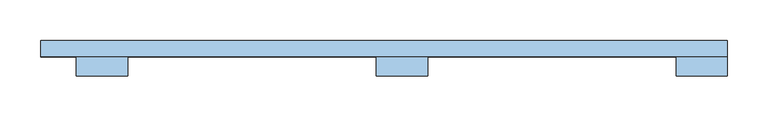
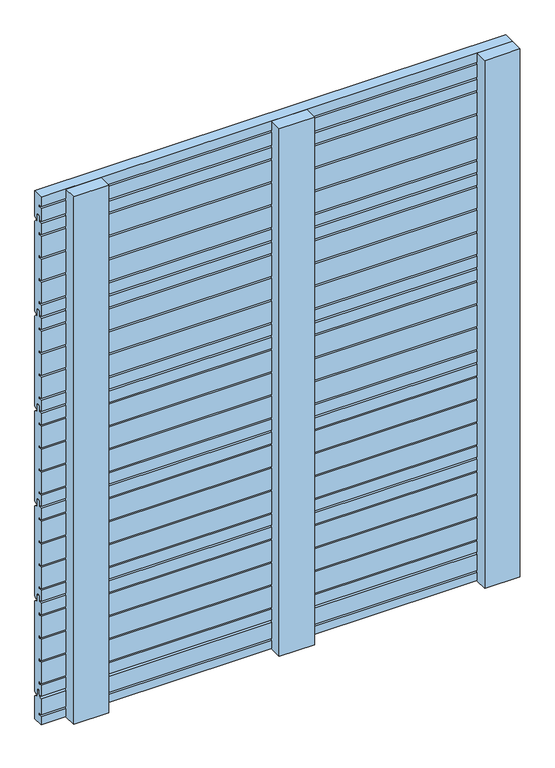
"""IFC4 building model written with IfcOpenShell, lengths in millimetres: window geometry."""

import ifcopenshell
import ifcopenshell.guid

model = None  # the IFC model being written
_history = None  # IfcOwnerHistory: only IFC2X3 demands one
_inside = {}  # id of a spatial element -> (the spatial element, [elements in it])
_under = {}  # id of a project, library or spatial element -> (it, [spatial elements below it])
_declared = {}  # id of a project -> (the project, [libraries it declares])
_typed = {}  # id of a type object -> (the type object, [elements of that type])
_made_of = {}  # id of a material, layer set ... -> (it, [elements and type objects made of it])


def new_model(schema):
    """Start an empty IFC model of exactly this schema.

    Asked for "IFC4X3", IfcOpenShell would pick the latest addendum, in which some entities
    have other attributes; the version numbers below select the first issue.
    IFC2X3 requires an IfcOwnerHistory on every rooted entity: one is made here for all.
    """
    global model, _history
    if schema == "IFC4X3":
        model = ifcopenshell.file(schema_version=(4, 3, 0, 0))
    else:
        model = ifcopenshell.file(schema=schema)
    _inside.clear()
    _under.clear()
    _declared.clear()
    _typed.clear()
    _made_of.clear()
    _history = None
    if model.schema == "IFC2X3":
        org = make("IfcOrganization", Name="unknown")
        user = make(
            "IfcPersonAndOrganization",
            ThePerson=make("IfcPerson", FamilyName="unknown"),
            TheOrganization=org,
        )
        app = make(
            "IfcApplication",
            ApplicationDeveloper=org,
            Version="unknown",
            ApplicationFullName="unknown",
            ApplicationIdentifier="unknown",
        )
        _history = make(
            "IfcOwnerHistory",
            OwningUser=user,
            OwningApplication=app,
            ChangeAction="ADDED",
            CreationDate=0,
        )
    return model


def make(cls, **values):
    """One entity of the class cls with the attributes given. An attribute that is None is left unset."""
    return model.create_entity(
        cls, **{name: value for name, value in values.items() if value is not None}
    )


def rooted(cls, **values):
    """An entity with a GlobalId (a new one), such as an element, a storey or a relation."""
    return make(cls, GlobalId=ifcopenshell.guid.new(), OwnerHistory=_history, **values)


def si_unit(unit_type, name, prefix=None):
    """IfcSIUnit, for example si_unit("LENGTHUNIT", "METRE", prefix="MILLI")."""
    return make("IfcSIUnit", UnitType=unit_type, Prefix=prefix, Name=name)


def assignment(units):
    """IfcUnitAssignment: the units of a project."""
    return None if units is None else make("IfcUnitAssignment", Units=units)


def point(xyz):
    """IfcCartesianPoint."""
    return None if xyz is None else make("IfcCartesianPoint", Coordinates=xyz)


def direction(xyz):
    """IfcDirection."""
    return None if xyz is None else make("IfcDirection", DirectionRatios=xyz)


def frame(location, z_axis=None, x_axis=None):
    """IfcAxis2Placement3D, a coordinate frame: its origin and axes. An axis left out is left unset."""
    return make(
        "IfcAxis2Placement3D",
        Location=point(location),
        Axis=direction(z_axis),
        RefDirection=direction(x_axis),
    )


def origin():
    """The frame at (0, 0, 0) with its axes left unset."""
    return frame((0.0, 0.0, 0.0))


def place(relative_to, where):
    """IfcLocalPlacement: puts the frame where relative to a parent placement (None: the world)."""
    return make(
        "IfcLocalPlacement", PlacementRelTo=relative_to, RelativePlacement=where
    )


def context(
    kind, dimensions, precision=None, world=None, true_north=None, identifier=None
):
    """IfcGeometricRepresentationContext, for example the 3D "Model" context."""
    return make(
        "IfcGeometricRepresentationContext",
        ContextIdentifier=identifier,
        ContextType=kind,
        CoordinateSpaceDimension=dimensions,
        Precision=precision,
        WorldCoordinateSystem=world,
        TrueNorth=true_north,
    )


def project(units=None, contexts=None):
    """IfcProject with its units and contexts."""
    return rooted(
        "IfcProject",
        Name="project",
        RepresentationContexts=contexts,
        UnitsInContext=assignment(units),
    )


def spatial(cls, under=None, at=None, **own):
    """A site, building, storey or space (cls), placed at a placement, below another one or the project."""
    s = rooted(cls, ObjectPlacement=at, **own)
    if under is not None:
        _under.setdefault(under.id(), (under, []))[1].append(s)
    return s


def polyline(points):
    """IfcPolyline through the points."""
    return make("IfcPolyline", Points=[point(p) for p in points])


def outline(outer, holes=None, kind="AREA"):
    """IfcArbitraryClosedProfileDef: a profile drawn as a closed curve; with holes, ...WithVoids."""
    if holes is None:
        return make("IfcArbitraryClosedProfileDef", ProfileType=kind, OuterCurve=outer)
    return make(
        "IfcArbitraryProfileDefWithVoids",
        ProfileType=kind,
        OuterCurve=outer,
        InnerCurves=holes,
    )


def extrude(swept, where, along, depth):
    """IfcExtrudedAreaSolid: the profile swept, set in the frame where, extruded along a direction by depth."""
    return make(
        "IfcExtrudedAreaSolid",
        SweptArea=swept,
        Position=where,
        ExtrudedDirection=direction(along),
        Depth=depth,
    )


def shape(context_of_items, identifier, shape_type, items):
    """IfcShapeRepresentation: the items that make up one representation, for example the "Body"."""
    return make(
        "IfcShapeRepresentation",
        ContextOfItems=context_of_items,
        RepresentationIdentifier=identifier,
        RepresentationType=shape_type,
        Items=items,
    )


def source(mapping_origin, context_of_items, identifier, shape_type, items):
    """IfcRepresentationMap: a shape defined once, which mapped items show again and again."""
    return make(
        "IfcRepresentationMap",
        MappingOrigin=mapping_origin,
        MappedRepresentation=shape(context_of_items, identifier, shape_type, items),
    )


def transform(
    local_origin,
    x_axis=None,
    y_axis=None,
    z_axis=None,
    scale=None,
    scale2=None,
    scale3=None,
    uniform=True,
):
    """IfcCartesianTransformationOperator3D, or its non-uniform kind. x_axis, y_axis, z_axis: its Axis1, 2, 3."""
    if uniform:
        return make(
            "IfcCartesianTransformationOperator3D",
            Axis1=direction(x_axis),
            Axis2=direction(y_axis),
            LocalOrigin=point(local_origin),
            Scale=scale,
            Axis3=direction(z_axis),
        )
    return make(
        "IfcCartesianTransformationOperator3DnonUniform",
        Axis1=direction(x_axis),
        Axis2=direction(y_axis),
        LocalOrigin=point(local_origin),
        Scale=scale,
        Axis3=direction(z_axis),
        Scale2=scale2,
        Scale3=scale3,
    )


def mapped(mapping_source, mapping_target):
    """IfcMappedItem: shows the shape of a source again, moved by a transform."""
    return make(
        "IfcMappedItem", MappingSource=mapping_source, MappingTarget=mapping_target
    )


def made_of(thing, what):
    """Note that an element or type object is made of a material, layer set ...; save() writes the relation."""
    if what is not None:
        _made_of.setdefault(what.id(), (what, []))[1].append(thing)
    return thing


def element(
    cls,
    number,
    at=None,
    inside=None,
    cuts=None,
    type_object=None,
    material=None,
    context=None,
    identifier="Body",
    shape_type=None,
    held_by="IfcProductDefinitionShape",
    body=None,
    shapes=None,
    **own,
):
    """One element of the class cls, such as IfcWall. Its Tag is "e" and its number.

    at: its placement. inside: the storey or other place that contains it. cuts: it is an
    opening in that element (IfcRelVoidsElement). A single representation is given by context,
    identifier, shape_type and body (its items); several are given by shapes. held_by: the class
    of the entity that holds the representations. save() writes the other relations.
    """
    e = rooted(cls, Tag="e%d" % number, ObjectPlacement=at, **own)
    if body is not None:
        shapes = [shape(context, identifier, shape_type, body)]
    if shapes is not None:
        e.Representation = make(held_by, Representations=shapes)
    if inside is not None:
        _inside.setdefault(inside.id(), (inside, []))[1].append(e)
    if cuts is not None:
        rooted(
            "IfcRelVoidsElement", RelatingBuildingElement=cuts, RelatedOpeningElement=e
        )
    if type_object is not None:
        _typed.setdefault(type_object.id(), (type_object, []))[1].append(e)
    return made_of(e, material)


def aggregate(whole, parts):
    """IfcRelAggregates: a whole, such as a stair, and the parts it consists of."""
    return rooted("IfcRelAggregates", RelatingObject=whole, RelatedObjects=parts)


def save(model, path):
    """Write the relations noted so far, then the file.

    IfcRelAggregates (storeys below a building ...), IfcRelContainedInSpatialStructure (elements
    in a storey), IfcRelDefinesByType, IfcRelAssociatesMaterial and IfcRelDeclares: one each for
    every whole, place, type object, material and project.
    """
    for whole, parts in _under.values():
        aggregate(whole, parts)
    for where, things in _inside.values():
        rooted(
            "IfcRelContainedInSpatialStructure",
            RelatedElements=things,
            RelatingStructure=where,
        )
    for kind, things in _typed.values():
        rooted("IfcRelDefinesByType", RelatedObjects=things, RelatingType=kind)
    for what, things in _made_of.values():
        rooted("IfcRelAssociatesMaterial", RelatedObjects=things, RelatingMaterial=what)
    for by, libraries in _declared.values():
        rooted("IfcRelDeclares", RelatingContext=by, RelatedDefinitions=libraries)
    model.write(path)


def window_8f5a0ee3(model_context):
    return source(origin(), model_context, "Body", "SweptSolid", [
        extrude(outline(polyline([(80.0, 153.0), (77.0, 150.0), (73.0, 150.0), (73.0, 162.0), (67.0, 162.0), (67.0, 154.0), (60.0, 154.0), (60.0, 174.6889298), (66.0, 174.6889298), (66.0, 178.1889298), (60.0, 178.1889298), (60.0, 218.25), (66.0, 218.25), (66.0, 221.75), (60.0, 221.75), (60.0, 261.8110702), (66.0, 261.8110702), (66.0, 265.3110702), (60.0, 265.3110702), (60.0, 305.3721403), (66.0, 305.3721403), (66.0, 308.8721403), (60.0, 308.8721403), (60.0, 330.0), (67.0, 330.0), (67.0, 340.0), (73.0, 340.0), (73.0, 326.0), (77.0, 326.0), (80.0, 323.0), (80.0, 153.0)])), frame((-444.0, 0.0, 0.0), z_axis=(1.0, 0.0, 0.0), x_axis=(0.0, 1.0, 0.0)), (0.0, 0.0, 1.0), 844.0),
        extrude(outline(polyline([(80.0, 333.0), (77.0, 330.0), (73.0, 330.0), (73.0, 342.0), (67.0, 342.0), (67.0, 334.0), (60.0, 334.0), (60.0, 354.6889298), (66.0, 354.6889298), (66.0, 358.1889298), (60.0, 358.1889298), (60.0, 398.25), (66.0, 398.25), (66.0, 401.75), (60.0, 401.75), (60.0, 441.8110702), (66.0, 441.8110702), (66.0, 445.3110702), (60.0, 445.3110702), (60.0, 485.3721403), (66.0, 485.3721403), (66.0, 488.8721403), (60.0, 488.8721403), (60.0, 510.0), (67.0, 510.0), (67.0, 520.0), (73.0, 520.0), (73.0, 506.0), (77.0, 506.0), (80.0, 503.0), (80.0, 333.0)])), frame((-444.0, 0.0, 0.0), z_axis=(1.0, 0.0, 0.0), x_axis=(0.0, 1.0, 0.0)), (0.0, 0.0, 1.0), 844.0),
        extrude(outline(polyline([(80.0, 513.0), (77.0, 510.0), (73.0, 510.0), (73.0, 522.0), (67.0, 522.0), (67.0, 514.0), (60.0, 514.0), (60.0, 534.6889298), (66.0, 534.6889298), (66.0, 538.1889298), (60.0, 538.1889298), (60.0, 578.25), (66.0, 578.25), (66.0, 581.75), (60.0, 581.75), (60.0, 621.8110702), (66.0, 621.8110702), (66.0, 625.3110702), (60.0, 625.3110702), (60.0, 665.3721403), (66.0, 665.3721403), (66.0, 668.8721403), (60.0, 668.8721403), (60.0, 690.0), (67.0, 690.0), (67.0, 700.0), (73.0, 700.0), (73.0, 686.0), (77.0, 686.0), (80.0, 683.0), (80.0, 513.0)])), frame((-444.0, 0.0, 0.0), z_axis=(1.0, 0.0, 0.0), x_axis=(0.0, 1.0, 0.0)), (0.0, 0.0, 1.0), 844.0),
        extrude(outline(polyline([(80.0, 693.0), (77.0, 690.0), (73.0, 690.0), (73.0, 702.0), (67.0, 702.0), (67.0, 694.0), (60.0, 694.0), (60.0, 714.6889298), (66.0, 714.6889298), (66.0, 718.1889298), (60.0, 718.1889298), (60.0, 758.25), (66.0, 758.25), (66.0, 761.75), (60.0, 761.75), (60.0, 801.8110702), (66.0, 801.8110702), (66.0, 805.3110702), (60.0, 805.3110702), (60.0, 845.3721403), (66.0, 845.3721403), (66.0, 848.8721403), (60.0, 848.8721403), (60.0, 870.0), (67.0, 870.0), (67.0, 880.0), (73.0, 880.0), (73.0, 866.0), (77.0, 866.0), (80.0, 863.0), (80.0, 693.0)])), frame((-444.0, 0.0, 0.0), z_axis=(1.0, 0.0, 0.0), x_axis=(0.0, 1.0, 0.0)), (0.0, 0.0, 1.0), 844.0),
        extrude(outline(polyline([(80.0, 873.0), (77.0, 870.0), (73.0, 870.0), (73.0, 882.0), (67.0, 882.0), (67.0, 874.0), (60.0, 874.0), (60.0, 894.6889298), (66.0, 894.6889298), (66.0, 898.1889298), (60.0, 898.1889298), (60.0, 938.25), (66.0, 938.25), (66.0, 941.75), (60.0, 941.75), (60.0, 981.8110702), (66.0, 981.8110702), (66.0, 985.3110702), (60.0, 985.3110702), (60.0, 1025.3721403), (66.0, 1025.3721403), (66.0, 1028.8721403), (60.0, 1028.8721403), (60.0, 1050.0), (67.0, 1050.0), (67.0, 1060.0), (73.0, 1060.0), (73.0, 1046.0), (77.0, 1046.0), (80.0, 1043.0), (80.0, 873.0)])), frame((-444.0, 0.0, 0.0), z_axis=(1.0, 0.0, 0.0), x_axis=(0.0, 1.0, 0.0)), (0.0, 0.0, 1.0), 844.0),
        extrude(outline(polyline([(80.0, 100.0), (60.0, 100.0), (60.0, 115.3721403), (66.0, 115.3721403), (66.0, 118.8721403), (60.0, 118.8721403), (60.0, 150.0), (67.0, 150.0), (67.0, 160.0), (73.0, 160.0), (73.0, 146.0), (77.0, 146.0), (80.0, 143.0), (80.0, 100.0)])), frame((-444.0, 0.0, 0.0), z_axis=(1.0, 0.0, 0.0), x_axis=(0.0, 1.0, 0.0)), (0.0, 0.0, 1.0), 844.0),
        extrude(outline(polyline([(80.0, 1053.0), (77.0, 1050.0), (73.0, 1050.0), (73.0, 1062.0), (67.0, 1062.0), (67.0, 1054.0), (60.0, 1054.0), (60.0, 1078.25), (66.0, 1078.25), (66.0, 1081.75), (60.0, 1081.75), (60.0, 1100.0), (80.0, 1100.0), (80.0, 1053.0)])), frame((-444.0, 0.0, 0.0), z_axis=(1.0, 0.0, 0.0), x_axis=(0.0, 1.0, 0.0)), (0.0, 0.0, 1.0), 844.0),
        extrude(outline(polyline([(-31.5, 60.1), (31.5, 60.1), (31.5, 36.1), (-31.5, 36.1), (-31.5, 60.1)])), frame((0.0, 0.0, 100.0), z_axis=(0.0, 0.0, 1.0), x_axis=(1.0, 0.0, 0.0)), (0.0, 0.0, 1.0), 1000.0),
        extrude(outline(polyline([(-400.0, 60.0), (-337.0, 60.0), (-337.0, 36.0), (-400.0, 36.0), (-400.0, 60.0)])), frame((0.0, 0.0, 100.0), z_axis=(0.0, 0.0, 1.0), x_axis=(1.0, 0.0, 0.0)), (0.0, 0.0, 1.0), 1000.0),
        extrude(outline(polyline([(337.0, 60.0), (400.0, 60.0), (400.0, 36.0), (337.0, 36.0), (337.0, 60.0)])), frame((0.0, 0.0, 100.0), z_axis=(0.0, 0.0, 1.0), x_axis=(1.0, 0.0, 0.0)), (0.0, 0.0, 1.0), 1000.0),
    ])


if __name__ == "__main__":
    model = new_model("IFC4")
    model_context = context("Model", 3, world=origin())
    ifc_project = project(units=[si_unit("LENGTHUNIT", "METRE", prefix="MILLI")], contexts=[model_context])
    site = spatial("IfcSite", under=ifc_project)
    building = spatial("IfcBuilding", under=site)
    placement = place(None, origin())
    window_shape = window_8f5a0ee3(model_context)
    element("IfcWindow", 1, at=placement, inside=building, context=model_context, shape_type="MappedRepresentation", body=[
        mapped(window_shape, transform((0.0, 0.0, 0.0), x_axis=(1.0, 0.0, 0.0), y_axis=(0.0, 1.0, 0.0), z_axis=(0.0, 0.0, 1.0))),
    ])
    save(model, "model.ifc")
